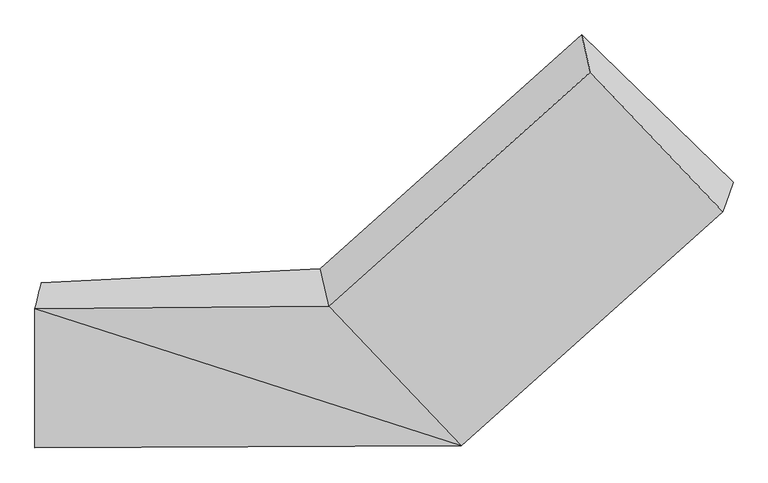
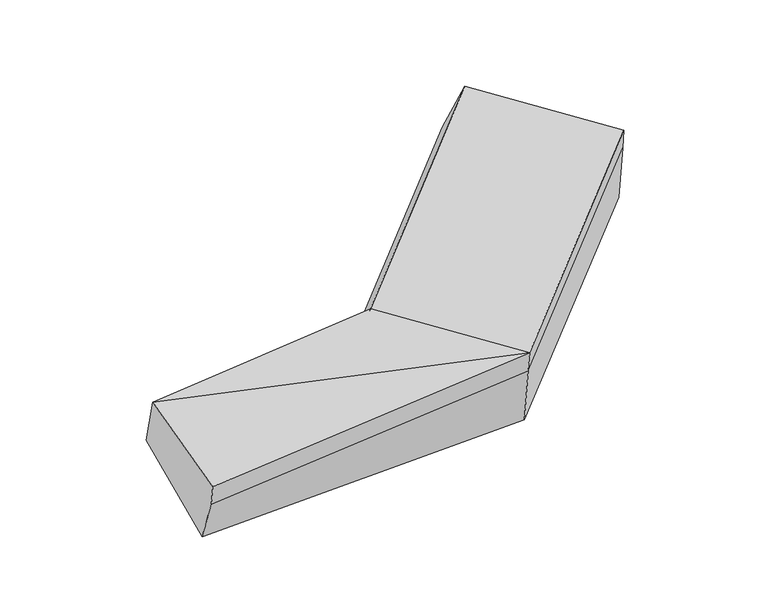
"""IFC4 building model written with IfcOpenShell, lengths in millimetres: proxy geometry."""

from ifc_helpers import new_model, si_unit, frame, origin, place, context, project, spatial, source, transform, mapped, element, save
from ifc_brep_helpers import plane_surface, spline_surface, advanced_brep


def generic_models_baee4e25(model_context):
    return source(origin(), model_context, "Body", "AdvancedBrep", [
        advanced_brep(
        [(-1458.2896068, -1654.1703674, 1638.9134243), (-1490.1201268, -1783.4172551, 1995.3743675), (-37.2331292, -1770.1088346, 2135.4696538), (-80.1471987, -1586.1502783, 1748.7189712), (-1489.8382955, -2471.5375272, 1820.4732191), (618.2803976, -2461.3594476, 2016.8332081), (-1476.802634, -2433.4851364, 1670.7832492), (631.7365643, -2422.0795604, 1862.3145295), (-1446.1335398, -2276.0350499, 1335.5312888), (668.7410229, -2314.0598705, 1437.3881633), (1925.5264828, -1264.9963925, 2269.1232713), (1962.5309413, -1156.9767026, 1844.1969051), (1213.6427197, -429.0671104, 2155.527713), (1256.5567893, -613.0256667, 2542.2783956), (1912.070316, -1304.2762797, 2423.6419499)],
        [
            (0, 1),
            (1, 2),
            (2, 3),
            (3, 0),
            (1, 4),
            (4, 5),
            (5, 1),
            (4, 6),
            (6, 7),
            (7, 5),
            (6, 8),
            (8, 9),
            (9, 7),
            (8, 0),
            (3, 9),
            (10, 11),
            (11, 12),
            (12, 13),
            (13, 14),
            (14, 10),
            (5, 2),
            (9, 11),
            (10, 7),
            (3, 12),
            (2, 13),
            (5, 14),
        ],
        [
            spline_surface(1, 1, [[(-1458.2896068, -1654.1703674, 1638.9134243), (-80.1471987, -1586.1502783, 1748.7189712)], [(-1490.1201268, -1783.4172551, 1995.3743675), (-37.2331292, -1770.1088346, 2135.4696538)]], [2, 2], [2, 2], [0.0, 1.0], [0.0, 1.0]),
            plane_surface(frame((-1489.9792112, -2127.4773911, 1907.9237933), z_axis=(-0.0887325611598473, -0.24540211131779802, 0.9653519235754292), x_axis=(0.00039694544544946253, -0.9691834818299152, -0.24633964557568858))),
            plane_surface(frame((-1483.3204648, -2452.5113318, 1745.6282341), z_axis=(0.02741091458251564, -0.9693785204335835, -0.2440367306037082), x_axis=(0.0841010420633207, 0.2454992952702418, -0.9657417412257163))),
            spline_surface(1, 1, [[(-1476.802634, -2433.4851364, 1670.7832492), (631.7365643, -2422.0795604, 1862.3145295)], [(-1446.1335398, -2276.0350499, 1335.5312888), (668.7410229, -2314.0598705, 1437.3881633)]], [2, 2], [2, 2], [0.0, 1.0], [0.0, 1.0]),
            spline_surface(1, 1, [[(-1446.1335398, -2276.0350499, 1335.5312888), (668.7410229, -2314.0598705, 1437.3881633)], [(-1458.2896068, -1654.1703674, 1638.9134243), (-80.1471987, -1586.1502783, 1748.7189712)]], [2, 2], [2, 2], [0.0, 1.0], [0.0, 1.0]),
            plane_surface(frame((1586.2001916, -875.8364399, 2241.4112409), z_axis=(0.7257236817037026, 0.6490409646136963, 0.22819063098152287), x_axis=(0.08410104206332057, 0.24549929527024097, -0.9657417412257164))),
            plane_surface(frame((-1472.2368406, -2123.7290672, 1692.2151098), z_axis=(-0.9964571526955693, 0.0203340741087605, -0.08160679059966984), x_axis=(0.017565833922426586, -0.8986106922689419, -0.4383951017273607))),
            plane_surface(frame((-1490.1201268, -1783.4172551, 1995.3743675), z_axis=(-0.09061851912780419, -0.25132123676981577, 0.9636523854272214), x_axis=(0.6828265903860802, -0.7200527218719094, -0.123579630953386))),
            plane_surface(frame((650.2387936, -2368.0697154, 1649.8513464), z_axis=(0.6828265903860867, -0.7200527218719027, -0.12357963095338859), x_axis=(0.08410104206332022, 0.2454992952702407, -0.9657417412257165))),
            plane_surface(frame((294.2969121, -1950.1050744, 1593.0535673), z_axis=(-0.033001536362096906, 0.3641383502020551, -0.930759990819259), x_axis=(-0.6871943221623447, 0.6679439259140304, 0.28568317315233693))),
            plane_surface(frame((-58.6901639, -1678.1295565, 1942.0943125), z_axis=(-0.6807233926892909, 0.6293473213140591, 0.374883464293105), x_axis=(0.0997035629253454, -0.42739650841827337, 0.8985496225205709))),
            plane_surface(frame((290.5236342, -2115.7341411, 2076.1514309), z_axis=(-0.08410104206332336, -0.24549929527023728, 0.9657417412257172), x_axis=(0.6828265903860801, -0.7200527218719095, -0.12357963095338603))),
            plane_surface(frame((625.008481, -2441.719504, 1939.5738688), z_axis=(0.682826590386087, -0.7200527218719025, -0.12357963095338845), x_axis=(0.08410104206332152, 0.24549929527024175, -0.9657417412257161))),
        ],
        [
            (0, [[1, 2, 3, 4]]),
            (1, [[5, 6, 7]]),
            (2, [[8, 9, 10, -6]]),
            (3, [[11, 12, 13, -9]]),
            (4, [[14, -4, 15, -12]]),
            (5, [[16, 17, 18, 19, 20]]),
            (6, [[-14, -11, -8, -5, -1]]),
            (7, [[21, -2, -7]]),
            (8, [[-13, 22, -16, 23]]),
            (9, [[-15, 24, -17, -22]]),
            (10, [[-3, 25, -18, -24]]),
            (11, [[-21, 26, -19, -25]]),
            (12, [[-10, -23, -20, -26]]),
        ],
    ),
    ])


if __name__ == "__main__":
    model = new_model("IFC4")
    model_context = context("Model", 3, world=origin())
    ifc_project = project(units=[si_unit("LENGTHUNIT", "METRE", prefix="MILLI")], contexts=[model_context])
    site = spatial("IfcSite", under=ifc_project)
    building = spatial("IfcBuilding", under=site)
    placement = place(None, origin())
    generic_models_shape = generic_models_baee4e25(model_context)
    element("IfcBuildingElementProxy", 1, Name="Generic Models", at=placement, inside=building, context=model_context, shape_type="MappedRepresentation", body=[
        mapped(generic_models_shape, transform((0.0, 0.0, 0.0), x_axis=(1.0, 0.0, 0.0), y_axis=(0.0, 1.0, 0.0), z_axis=(0.0, 0.0, 1.0))),
    ])
    save(model, "model.ifc")
